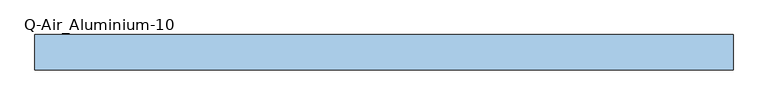
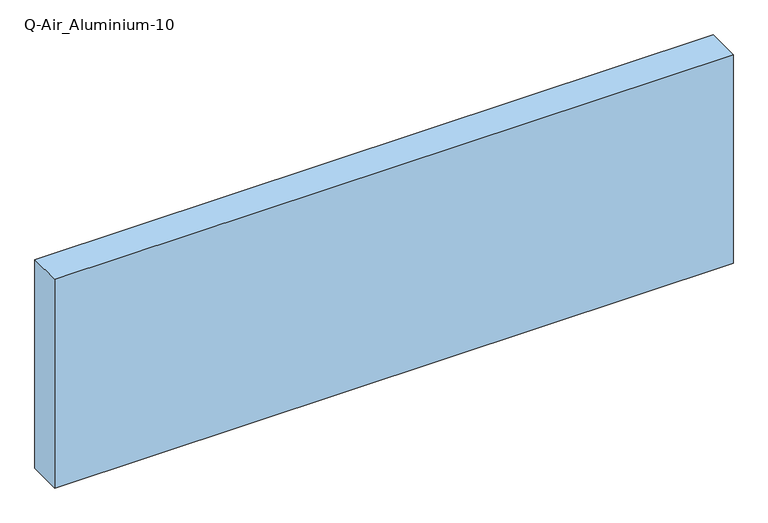
"""IFC4 building model written with IfcOpenShell, lengths in millimetres: window geometry, Q-Air_Aluminium-10."""

from ifc_helpers import new_model, si_unit, origin, origin_with_axes, place, context, project, spatial, polyline, outline, extrude, source, transform, mapped, element, save


def q_air_aluminium_10_8f9ded12(model_context):
    return source(origin(), model_context, "Body", "SweptSolid", [
        extrude(outline(polyline([(1260.0, 0.0), (-1260.0, 0.0), (-1260.0, 127.0), (1260.0, 127.0), (1260.0, 0.0)])), origin_with_axes(), (0.0, 0.0, 1.0), 820.0),
    ])


if __name__ == "__main__":
    model = new_model("IFC4")
    model_context = context("Model", 3, world=origin())
    ifc_project = project(units=[si_unit("LENGTHUNIT", "METRE", prefix="MILLI")], contexts=[model_context])
    site = spatial("IfcSite", under=ifc_project)
    building = spatial("IfcBuilding", under=site)
    placement = place(None, origin())
    q_air_aluminium_10_shape = q_air_aluminium_10_8f9ded12(model_context)
    element("IfcWindow", 1, ObjectType="Q-Air_Aluminium-10", at=placement, inside=building, context=model_context, shape_type="MappedRepresentation", body=[
        mapped(q_air_aluminium_10_shape, transform((0.0, 0.0, 0.0), x_axis=(1.0, 0.0, 0.0), y_axis=(0.0, 1.0, 0.0), z_axis=(0.0, 0.0, 1.0))),
    ])
    save(model, "model.ifc")
